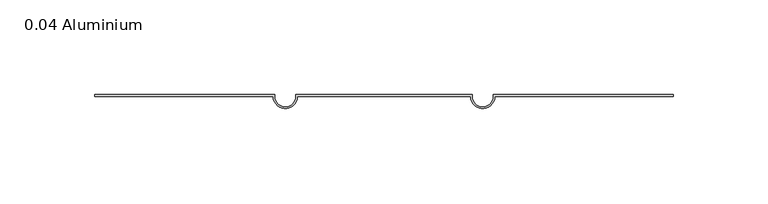
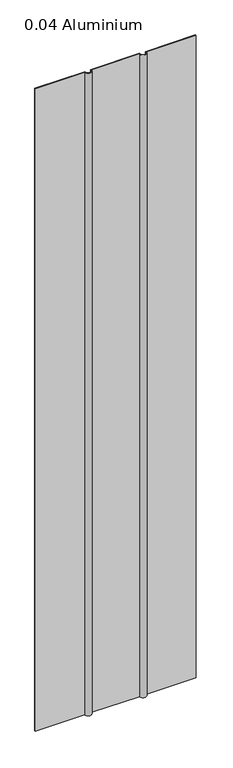
"""IFC4 building model written with IfcOpenShell, lengths in millimetres: plate geometry, 0.04 Aluminium."""

from ifc_helpers import new_model, si_unit, point, frame_2d, origin, origin_with_axes, place, context, project, spatial, polyline, circle_curve, trimmed, segment, composite_curve, outline, extrude, source, transform, mapped, element, save


def plate_0_04_aluminium_12188358(model_context):
    return source(origin(), model_context, "Body", "SweptSolid", [
        extrude(outline(composite_curve([segment(polyline([(-57.57418, 1.016), (-57.57418, 0.0)]), True, "CONTINUOUS"), segment(trimmed(circle_curve(frame_2d((-52.03698, 0.0)), 5.5372), [point((-57.57418, 0.0))], [point((-46.49978, 0.0))], True, "CARTESIAN"), True, "CONTINUOUS"), segment(polyline([(-46.49978, 0.0), (-46.49978, 1.016), (46.49978, 1.016), (46.49978, 0.0)]), True, "CONTINUOUS"), segment(trimmed(circle_curve(frame_2d((52.03698, 0.0)), 5.5372), [point((46.49978, 0.0))], [point((57.57418, 0.0))], True, "CARTESIAN"), True, "CONTINUOUS"), segment(polyline([(57.57418, 0.0), (57.57418, 1.016), (152.4, 1.016), (152.4, 0.0), (58.38698, 0.0)]), True, "CONTINUOUS"), segment(trimmed(circle_curve(frame_2d((52.03698, 0.0)), 6.35), [point((58.38698, 0.0))], [point((45.68698, 0.0))], False, "CARTESIAN"), True, "CONTINUOUS"), segment(polyline([(45.68698, 0.0), (-45.68698, 0.0)]), True, "CONTINUOUS"), segment(trimmed(circle_curve(frame_2d((-52.03698, 0.0)), 6.35), [point((-45.68698, 0.0))], [point((-58.38698, 0.0))], False, "CARTESIAN"), True, "CONTINUOUS"), segment(polyline([(-58.38698, 0.0), (-152.4, 0.0), (-152.4, 1.016), (-57.57418, 1.016)]), True, "CONTINUOUS")], self_intersect=False)), origin_with_axes(), (0.0, 0.0, 1.0), 1285.875),
    ])


if __name__ == "__main__":
    model = new_model("IFC4")
    model_context = context("Model", 3, world=origin())
    ifc_project = project(units=[si_unit("LENGTHUNIT", "METRE", prefix="MILLI")], contexts=[model_context])
    site = spatial("IfcSite", under=ifc_project)
    building = spatial("IfcBuilding", under=site)
    placement = place(None, origin())
    plate_0_04_aluminium_shape = plate_0_04_aluminium_12188358(model_context)
    element("IfcPlate", 1, ObjectType="0.04 Aluminium", at=placement, inside=building, context=model_context, shape_type="MappedRepresentation", body=[
        mapped(plate_0_04_aluminium_shape, transform((0.0, 0.0, 0.0), x_axis=(1.0, 0.0, 0.0), y_axis=(0.0, 1.0, 0.0), z_axis=(0.0, 0.0, 1.0))),
    ])
    save(model, "model.ifc")
